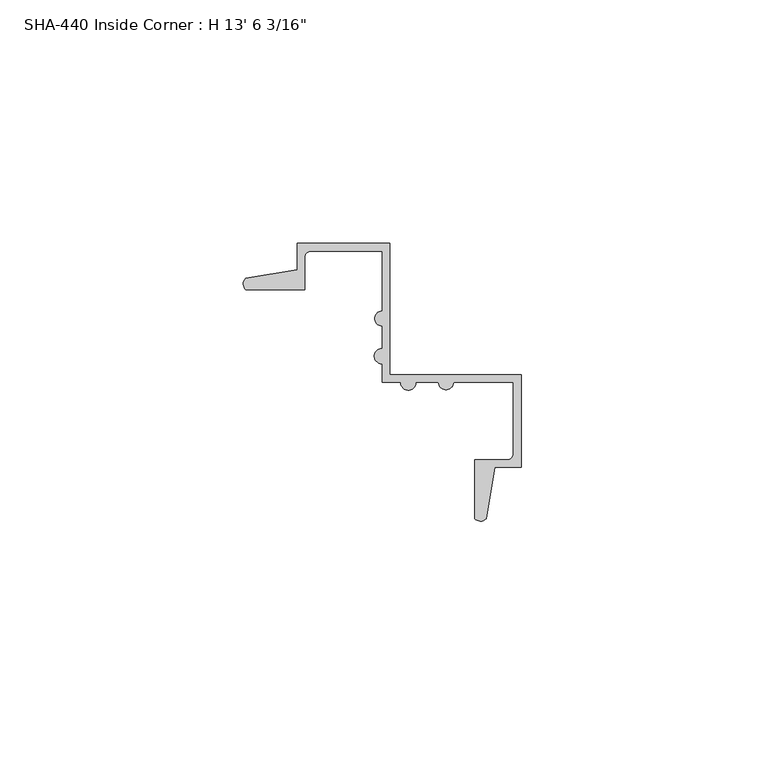
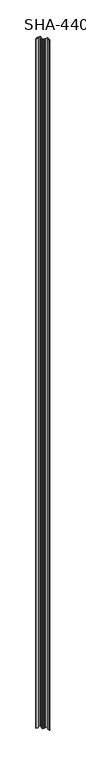
"""IFC4 building model written with IfcOpenShell, lengths in millimetres: proxy geometry."""

from ifc_helpers import new_model, si_unit, point, frame_2d, origin, origin_with_axes, place, context, project, spatial, polyline, circle_curve, trimmed, segment, composite_curve, outline, extrude, source, transform, mapped, element, save


def proxy_19690b46(model_context):
    return source(origin(), model_context, "Body", "SweptSolid", [
        extrude(outline(composite_curve([segment(trimmed(circle_curve(frame_2d((-31.3617705, 15.4349024)), 1.6162393), [point((-32.4525282, 14.2422259))], [point((-32.518612, 16.5635952))], False, "CARTESIAN"), True, "CONTINUOUS"), segment(polyline([(-32.518612, 16.5635952), (-21.9425251, 18.374569), (-21.9425251, 23.7672259), (-2.9179251, 23.7672259), (-2.9179251, -3.2329741), (24.0822749, -3.2329741), (24.0822749, -22.2575741), (18.689618, -22.2575741), (16.8786442, -32.833661)]), True, "CONTINUOUS"), segment(trimmed(circle_curve(frame_2d((15.7499514, -31.6768195)), 1.6162393), [point((16.8786442, -32.833661))], [point((14.5572749, -32.7675772))], False, "CARTESIAN"), True, "CONTINUOUS"), segment(polyline([(14.5572749, -32.7675772), (14.5572749, -20.6827741), (21.2374749, -20.6827741)]), True, "CONTINUOUS"), segment(trimmed(circle_curve(frame_2d((21.2374749, -19.4127741)), 1.27), [point((21.2374749, -20.6827741))], [point((22.5074749, -19.4127741))], True, "CARTESIAN"), True, "CONTINUOUS"), segment(polyline([(22.5074749, -19.4127741), (22.5074749, -4.8077741), (10.2138749, -4.8077741)]), True, "CONTINUOUS"), segment(trimmed(circle_curve(frame_2d((8.6390749, -4.7167886)), 1.5774262), [point((10.2138749, -4.8077741))], [point((7.0642749, -4.8077741))], False, "CARTESIAN"), True, "CONTINUOUS"), segment(polyline([(7.0642749, -4.8077741), (2.4795749, -4.8077741)]), True, "CONTINUOUS"), segment(trimmed(circle_curve(frame_2d((0.9047749, -4.8077741)), 1.5748), [point((2.4795749, -4.8077741))], [point((-0.6700251, -4.8077741))], False, "CARTESIAN"), True, "CONTINUOUS"), segment(polyline([(-0.6700251, -4.8077741), (-4.4927251, -4.8077741), (-4.4927251, -0.9850741)]), True, "CONTINUOUS"), segment(trimmed(circle_curve(frame_2d((-4.4927251, 0.5897259)), 1.5748), [point((-4.4927251, -0.9850741))], [point((-4.4927251, 2.1645259))], False, "CARTESIAN"), True, "CONTINUOUS"), segment(polyline([(-4.4927251, 2.1645259), (-4.4927251, 6.7492259)]), True, "CONTINUOUS"), segment(trimmed(circle_curve(frame_2d((-4.4017397, 8.3240259)), 1.5774262), [point((-4.4927251, 6.7492259))], [point((-4.4927251, 9.8988259))], False, "CARTESIAN"), True, "CONTINUOUS"), segment(polyline([(-4.4927251, 9.8988259), (-4.4927251, 22.1924259), (-19.0977251, 22.1924259)]), True, "CONTINUOUS"), segment(trimmed(circle_curve(frame_2d((-19.0977251, 20.9224259)), 1.27), [point((-19.0977251, 22.1924259))], [point((-20.3677251, 20.9224259))], True, "CARTESIAN"), True, "CONTINUOUS"), segment(polyline([(-20.3677251, 20.9224259), (-20.3677251, 14.2422259), (-32.4525282, 14.2422259)]), True, "CONTINUOUS")], self_intersect=False)), origin_with_axes(), (0.0, 0.0, 1.0), 4119.5625),
    ])


if __name__ == "__main__":
    model = new_model("IFC4")
    model_context = context("Model", 3, world=origin())
    ifc_project = project(units=[si_unit("LENGTHUNIT", "METRE", prefix="MILLI")], contexts=[model_context])
    site = spatial("IfcSite", under=ifc_project)
    building = spatial("IfcBuilding", under=site)
    placement = place(None, origin())
    proxy_shape = proxy_19690b46(model_context)
    element("IfcBuildingElementProxy", 1, Name="SHA-440 Inside Corner : H 13' 6 3/16\"", ObjectType="SHA-440 Inside Corner : H 13' 6 3/16\"", at=placement, inside=building, context=model_context, shape_type="MappedRepresentation", body=[
        mapped(proxy_shape, transform((0.0, 0.0, 0.0), x_axis=(1.0, 0.0, 0.0), y_axis=(0.0, 1.0, 0.0), z_axis=(0.0, 0.0, 1.0))),
    ])
    save(model, "model.ifc")
